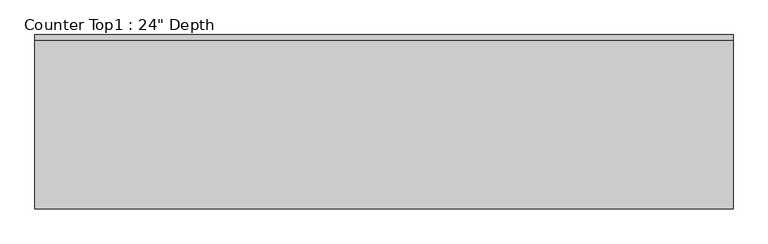
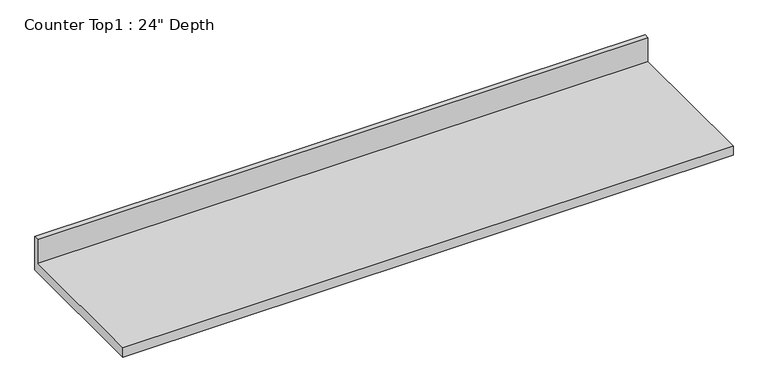
"""IFC4 building model written with IfcOpenShell, lengths in millimetres: furniture geometry."""

from ifc_helpers import new_model, si_unit, frame, origin, place, context, project, spatial, polyline, outline, extrude, source, transform, mapped, element, save


def furniture_1cab4ce6(model_context):
    return source(origin(), model_context, "Body", "SweptSolid", [
        extrude(outline(polyline([(0.0, 1016.0), (0.0, 876.3), (-609.6, 876.3), (-609.6, 914.4), (-19.05, 914.4), (-19.05, 1016.0), (0.0, 1016.0)])), frame((-1200.4622951, 0.0, 0.0), z_axis=(1.0, 0.0, 0.0), x_axis=(0.0, 1.0, 0.0)), (0.0, 0.0, 1.0), 2438.4),
    ])


if __name__ == "__main__":
    model = new_model("IFC4")
    model_context = context("Model", 3, world=origin())
    ifc_project = project(units=[si_unit("LENGTHUNIT", "METRE", prefix="MILLI")], contexts=[model_context])
    site = spatial("IfcSite", under=ifc_project)
    building = spatial("IfcBuilding", under=site)
    placement = place(None, origin())
    furniture_shape = furniture_1cab4ce6(model_context)
    element("IfcFurniture", 1, ObjectType="Counter Top1 : 24\" Depth", at=placement, inside=building, context=model_context, shape_type="MappedRepresentation", body=[
        mapped(furniture_shape, transform((0.0, 0.0, 0.0), x_axis=(1.0, 0.0, 0.0), y_axis=(0.0, 1.0, 0.0), z_axis=(0.0, 0.0, 1.0))),
    ])
    save(model, "model.ifc")
